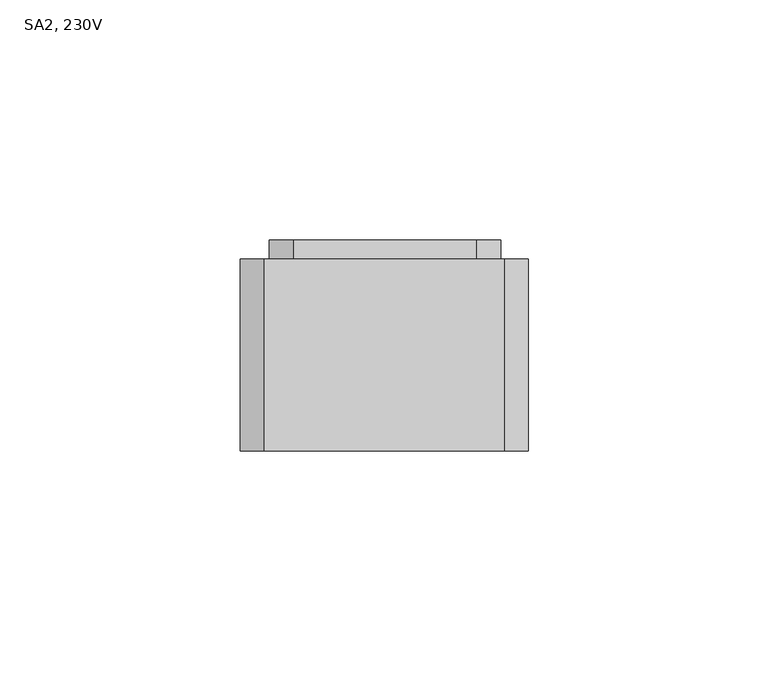
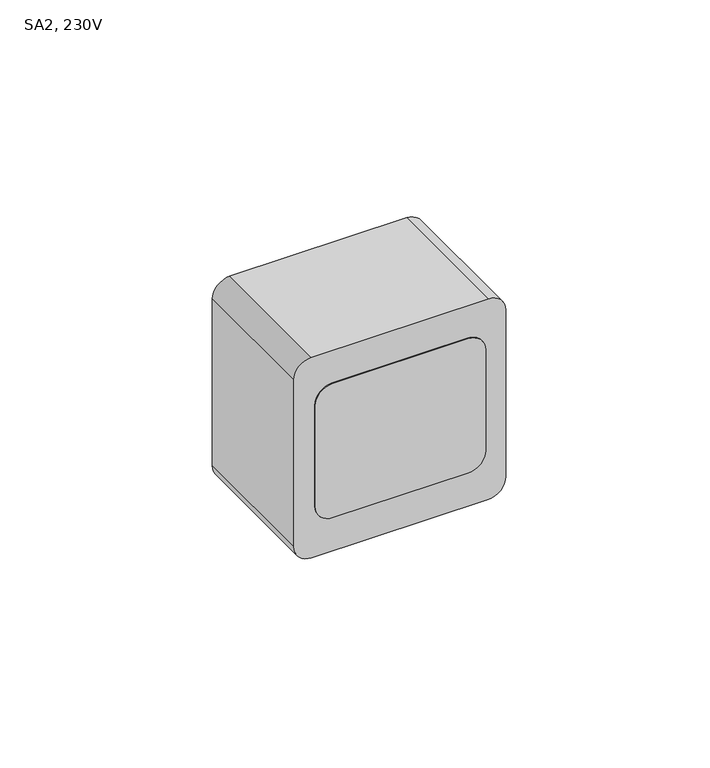
"""IFC4 building model written with IfcOpenShell, lengths in millimetres: switching device geometry, SA2, 230V."""

from ifc_helpers import new_model, si_unit, point, frame, frame_2d, origin, place, context, project, spatial, polyline, circle_curve, trimmed, segment, composite_curve, outline, extrude, source, transform, mapped, element, save


def sa2_230v_ea42b1c7(model_context):
    return source(origin(), model_context, "Body", "SweptSolid", [
        extrude(outline(composite_curve([segment(polyline([(1120.0456842, 144.3256445), (1120.0456842, 106.0904112)]), True, "CONTINUOUS"), segment(trimmed(circle_curve(frame_2d((1115.0456842, 106.0904112)), 5.0), [point((1120.0456842, 106.0904112))], [point((1115.0456842, 101.0904112))], False, "CARTESIAN"), True, "CONTINUOUS"), segment(polyline([(1115.0456842, 101.0904112), (1084.879652, 101.0904112)]), True, "CONTINUOUS"), segment(trimmed(circle_curve(frame_2d((1084.879652, 106.0904112)), 5.0), [point((1084.879652, 101.0904112))], [point((1079.879652, 106.0904112))], False, "CARTESIAN"), True, "CONTINUOUS"), segment(polyline([(1079.879652, 106.0904112), (1079.879652, 144.3256445)]), True, "CONTINUOUS"), segment(trimmed(circle_curve(frame_2d((1084.879652, 144.3256445)), 5.0), [point((1079.879652, 144.3256445))], [point((1084.879652, 149.3256445))], False, "CARTESIAN"), True, "CONTINUOUS"), segment(polyline([(1084.879652, 149.3256445), (1115.0456842, 149.3256445)]), True, "CONTINUOUS"), segment(trimmed(circle_curve(frame_2d((1115.0456842, 144.3256445)), 5.0), [point((1115.0456842, 149.3256445))], [point((1120.0456842, 144.3256445))], False, "CARTESIAN"), True, "CONTINUOUS")], self_intersect=False)), frame((0.0, 0.0, 0.0), z_axis=(0.0, 1.0, 0.0), x_axis=(0.0, 0.0, 1.0)), (0.0, 0.0, 1.0), 44.0),
        extrude(outline(composite_curve([segment(trimmed(circle_curve(frame_2d((1125.0, 100.0)), 5.0), [point((1130.0, 100.0))], [point((1125.0, 95.0))], False, "CARTESIAN"), True, "CONTINUOUS"), segment(polyline([(1125.0, 95.0), (1075.0, 95.0)]), True, "CONTINUOUS"), segment(trimmed(circle_curve(frame_2d((1075.0, 100.0)), 5.0), [point((1075.0, 95.0))], [point((1070.0, 100.0))], False, "CARTESIAN"), True, "CONTINUOUS"), segment(polyline([(1070.0, 100.0), (1070.0, 150.0)]), True, "CONTINUOUS"), segment(trimmed(circle_curve(frame_2d((1075.0, 150.0)), 5.0), [point((1070.0, 150.0))], [point((1075.0, 155.0))], False, "CARTESIAN"), True, "CONTINUOUS"), segment(polyline([(1075.0, 155.0), (1125.0, 155.0)]), True, "CONTINUOUS"), segment(trimmed(circle_curve(frame_2d((1125.0, 150.0)), 5.0), [point((1125.0, 155.0))], [point((1130.0, 150.0))], False, "CARTESIAN"), True, "CONTINUOUS"), segment(polyline([(1130.0, 150.0), (1130.0, 100.0)]), True, "CONTINUOUS")], self_intersect=False), holes=[composite_curve([segment(polyline([(1120.0456842, 106.0904112), (1120.0456842, 144.3256445)]), True, "CONTINUOUS"), segment(trimmed(circle_curve(frame_2d((1115.0456842, 144.3256445)), 5.0), [point((1120.0456842, 144.3256445))], [point((1115.0456842, 149.3256445))], True, "CARTESIAN"), True, "CONTINUOUS"), segment(polyline([(1115.0456842, 149.3256445), (1084.879652, 149.3256445)]), True, "CONTINUOUS"), segment(trimmed(circle_curve(frame_2d((1084.879652, 144.3256445)), 5.0), [point((1084.879652, 149.3256445))], [point((1079.879652, 144.3256445))], True, "CARTESIAN"), True, "CONTINUOUS"), segment(polyline([(1079.879652, 144.3256445), (1079.879652, 106.0904112)]), True, "CONTINUOUS"), segment(trimmed(circle_curve(frame_2d((1084.879652, 106.0904112)), 5.0), [point((1079.879652, 106.0904112))], [point((1084.879652, 101.0904112))], True, "CARTESIAN"), True, "CONTINUOUS"), segment(polyline([(1084.879652, 101.0904112), (1115.0456842, 101.0904112)]), True, "CONTINUOUS"), segment(trimmed(circle_curve(frame_2d((1115.0456842, 106.0904112)), 5.0), [point((1115.0456842, 101.0904112))], [point((1120.0456842, 106.0904112))], True, "CARTESIAN"), True, "CONTINUOUS")], self_intersect=False)]), frame((0.0, 0.0, 0.0), z_axis=(0.0, 1.0, 0.0), x_axis=(0.0, 0.0, 1.0)), (0.0, 0.0, 1.0), 40.0),
    ])


if __name__ == "__main__":
    model = new_model("IFC4")
    model_context = context("Model", 3, world=origin())
    ifc_project = project(units=[si_unit("LENGTHUNIT", "METRE", prefix="MILLI")], contexts=[model_context])
    site = spatial("IfcSite", under=ifc_project)
    building = spatial("IfcBuilding", under=site)
    placement = place(None, origin())
    sa2_230v_shape = sa2_230v_ea42b1c7(model_context)
    element("IfcSwitchingDevice", 1, ObjectType="SA2, 230V", at=placement, inside=building, context=model_context, shape_type="MappedRepresentation", body=[
        mapped(sa2_230v_shape, transform((0.0, 0.0, 0.0), x_axis=(1.0, 0.0, 0.0), y_axis=(0.0, 1.0, 0.0), z_axis=(0.0, 0.0, 1.0))),
    ])
    save(model, "model.ifc")
